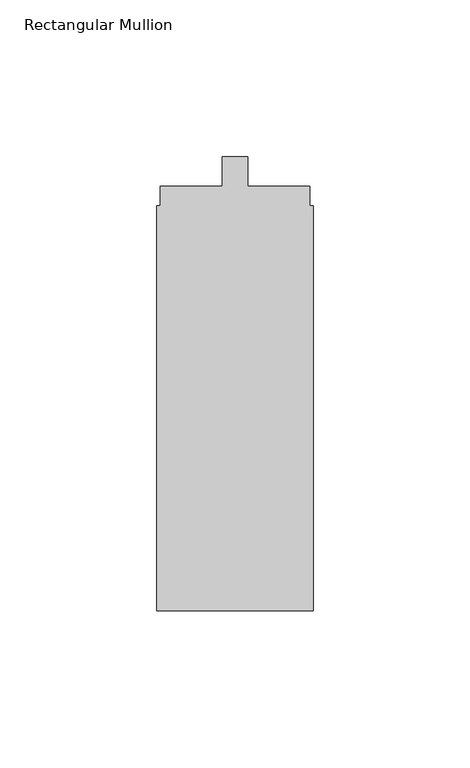
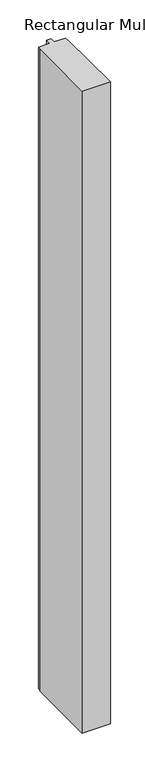
"""IFC4 building model written with IfcOpenShell, lengths in millimetres: member geometry, Rectangular Mullion."""

from ifc_helpers import new_model, si_unit, frame, origin, place, context, project, spatial, polyline, outline, extrude, source, transform, mapped, element, save


def rectangular_mullion_8f5b6676(model_context):
    return source(origin(), model_context, "Body", "SweptSolid", [
        extrude(outline(polyline([(0.0, -152.3), (-50.0, -152.3), (-50.0, -23.0), (-48.9, -23.0), (-48.9, -16.8), (-29.1, -16.8), (-29.1, -7.3), (-20.9, -7.3), (-20.9, -16.8), (-1.1782663, -16.8), (-1.1782663, -23.0), (0.0, -23.0), (0.0, -152.3)])), frame((0.0, 0.0, -1200.0), z_axis=(0.0, 0.0, 1.0), x_axis=(1.0, 0.0, 0.0)), (0.0, 0.0, 1.0), 1200.0),
    ])


if __name__ == "__main__":
    model = new_model("IFC4")
    model_context = context("Model", 3, world=origin())
    ifc_project = project(units=[si_unit("LENGTHUNIT", "METRE", prefix="MILLI")], contexts=[model_context])
    site = spatial("IfcSite", under=ifc_project)
    building = spatial("IfcBuilding", under=site)
    placement = place(None, origin())
    rectangular_mullion_shape = rectangular_mullion_8f5b6676(model_context)
    element("IfcMember", 1, ObjectType="Rectangular Mullion", at=placement, inside=building, context=model_context, shape_type="MappedRepresentation", body=[
        mapped(rectangular_mullion_shape, transform((0.0, 0.0, 0.0), x_axis=(1.0, 0.0, 0.0), y_axis=(0.0, 1.0, 0.0), z_axis=(0.0, 0.0, 1.0))),
    ])
    save(model, "model.ifc")
